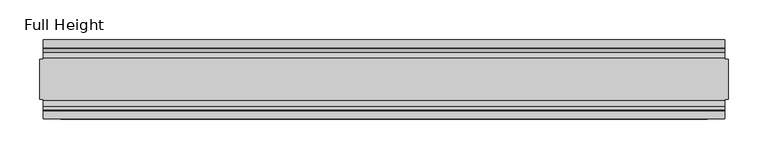
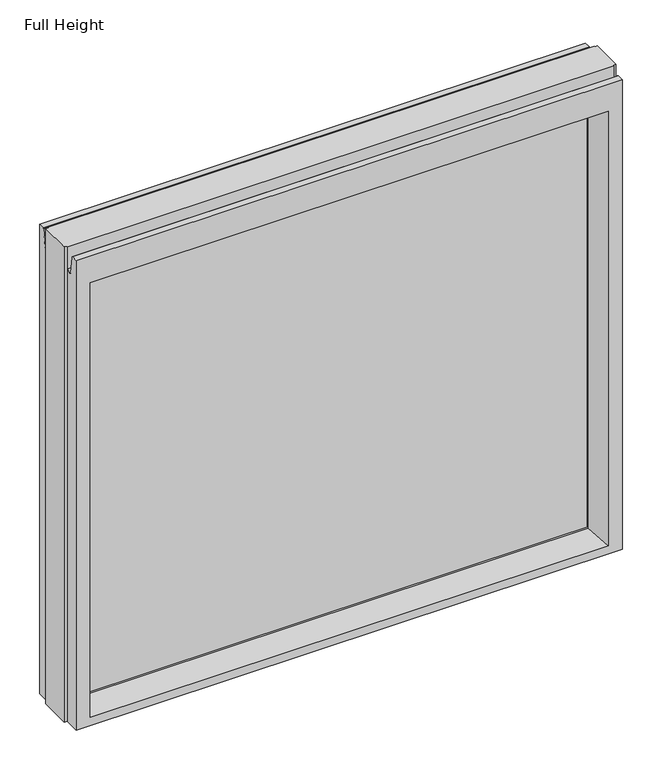
"""IFC4 building model written with IfcOpenShell, lengths in millimetres: plate geometry, Full Height."""

from ifc_helpers import new_model, si_unit, frame, origin, place, context, project, spatial, polyline, circle_curve, outline, extrude, source, transform, mapped, element, save
from ifc_brep_helpers import plane_surface, cylinder_surface, revolved_surface, advanced_brep


def full_height_9db0b8b8(model_context):
    return source(origin(), model_context, "Body", "SolidModel", [
        advanced_brep(
        [(429.4695246, -50.0, 0.0), (-429.4695246, -50.0, 0.0), (-429.4695246, -25.146, 0.0), (-434.0415246, -25.146, 0.0), (-434.0415246, 25.146, 0.0), (-429.4695246, 25.146, 0.0), (-429.4695246, 50.0, 0.0), (429.4695246, 50.0, 0.0), (429.4695246, 25.146, 0.0), (434.0415246, 25.146, 0.0), (434.0415246, -25.146, 0.0), (429.4695246, -25.146, 0.0), (434.0415246, -25.146, 789.94), (434.0415246, 25.146, 789.94), (429.4695246, 25.146, 789.94), (429.4695246, 26.67, 789.94), (-429.4695246, 26.67, 789.94), (-429.4695246, 25.146, 789.94), (-434.0415246, 25.146, 789.94), (-434.0415246, -25.146, 789.94), (-429.4695246, -25.146, 789.94), (-429.4695246, -26.67, 789.94), (429.4695246, -26.67, 789.94), (429.4695246, -25.146, 789.94), (-429.4695246, -26.67, 752.729), (429.4695246, -26.67, 752.729), (-429.4695246, 26.67, 752.729), (-429.4695246, 34.2321175, 752.0674004), (-429.4695246, 39.1867152, 780.1663199), (-429.4695246, 39.9371387, 780.796), (-429.4695246, 50.0, 780.796), (-429.4695246, -50.0, 780.796), (-429.4695246, -39.9371387, 780.796), (-429.4695246, -39.1867152, 780.1663199), (-429.4695246, -34.2321175, 752.0674004), (429.4695246, 50.0, 780.796), (-407.3715246, 50.0, 736.219), (-407.3715246, 50.0, 13.9954), (407.3715246, 50.0, 13.9954), (407.3715246, 50.0, 736.219), (429.4695246, -50.0, 780.796), (-407.3715246, -50.0, 13.9954), (-407.3715246, -50.0, 736.219), (407.3715246, -50.0, 736.219), (407.3715246, -50.0, 13.9954), (-401.4025246, 6.1006519, 730.25), (-401.4025246, 6.1006519, 18.3896), (-401.4025246, -6.1006519, 18.3896), (-401.4025246, -6.1006519, 730.25), (401.4025246, -6.1006519, 730.25), (401.4025246, -6.1006519, 18.3896), (401.4025246, 6.1006519, 730.25), (401.4025246, 6.1006519, 18.3896), (429.4695246, -34.2321175, 752.0674004), (429.4695246, -39.1867152, 780.1663199), (429.4695246, -39.9371387, 780.796), (429.4695246, 39.9371387, 780.796), (429.4695246, 39.1867152, 780.1663199), (429.4695246, 34.2321175, 752.0674004), (429.4695246, 26.67, 752.729)],
        [
            (0, 1),
            (1, 2),
            (2, 3),
            (3, 4),
            (4, 5),
            (5, 6),
            (6, 7),
            (7, 8),
            (8, 9),
            (9, 10),
            (10, 11),
            (11, 0),
            (12, 13),
            (13, 14),
            (14, 15),
            (15, 16),
            (16, 17),
            (17, 18),
            (18, 19),
            (19, 20),
            (20, 21),
            (21, 22),
            (22, 23),
            (23, 12),
            (10, 12),
            (23, 11),
            (13, 9),
            (8, 14),
            (18, 4),
            (3, 19),
            (17, 5),
            (2, 20),
            (24, 25),
            (25, 22),
            (21, 24),
            (16, 26),
            (26, 27, circle_curve(frame((-429.4695246, 30.48, 752.729), z_axis=(1.0, 0.0, 0.0), x_axis=(0.0, 1.0, 0.0)), 3.81)),
            (27, 28),
            (28, 29, circle_curve(frame((-429.4695246, 39.9371387, 780.034), z_axis=(-1.0, 0.0, 0.0), x_axis=(0.0, 1.0, 0.0)), 0.762)),
            (29, 30),
            (30, 6),
            (1, 31),
            (31, 32),
            (32, 33, circle_curve(frame((-429.4695246, -39.9371387, 780.034), z_axis=(-1.0, 0.0, 0.0), x_axis=(0.0, 1.0, 0.0)), 0.762)),
            (33, 34),
            (34, 24, circle_curve(frame((-429.4695246, -30.48, 752.729), z_axis=(1.0, 0.0, 0.0), x_axis=(0.0, 1.0, 0.0)), 3.81)),
            (30, 35),
            (35, 7),
            (36, 37),
            (37, 38),
            (38, 39),
            (39, 36),
            (0, 40),
            (40, 31),
            (41, 42),
            (42, 43),
            (43, 44),
            (44, 41),
            (36, 45),
            (45, 46),
            (46, 37),
            (41, 47),
            (47, 48),
            (48, 42),
            (43, 49),
            (49, 50),
            (50, 44),
            (51, 39),
            (38, 52),
            (52, 51),
            (25, 53, circle_curve(frame((429.4695246, -30.48, 752.729), z_axis=(-1.0, 0.0, 0.0), x_axis=(0.0, 1.0, 0.0)), 3.81)),
            (53, 54),
            (54, 55, circle_curve(frame((429.4695246, -39.9371387, 780.034), z_axis=(1.0, 0.0, 0.0), x_axis=(0.0, 1.0, 0.0)), 0.762)),
            (55, 40),
            (35, 56),
            (56, 57, circle_curve(frame((429.4695246, 39.9371387, 780.034), z_axis=(1.0, 0.0, 0.0), x_axis=(0.0, 1.0, 0.0)), 0.762)),
            (57, 58),
            (58, 59, circle_curve(frame((429.4695246, 30.48, 752.729), z_axis=(-1.0, 0.0, 0.0), x_axis=(0.0, 1.0, 0.0)), 3.81)),
            (59, 15),
            (55, 32),
            (29, 56),
            (59, 26),
            (51, 45),
            (33, 54),
            (53, 34),
            (28, 57),
            (27, 58),
            (46, 52),
            (50, 47),
            (48, 49),
            (51, 49),
            (48, 45),
            (46, 47),
            (50, 52),
        ],
        [
            plane_surface(frame((-429.4695246, 50.0, 0.0), z_axis=(0.0, 0.0, -1.0), x_axis=(0.0, -1.0, 0.0))),
            plane_surface(frame((429.4695246, -25.146, 789.94), z_axis=(0.0, 0.0, 1.0), x_axis=(-1.0, 0.0, 0.0))),
            plane_surface(frame((434.0415246, -25.146, 789.94), z_axis=(0.0, -1.0, 0.0), x_axis=(0.0, 0.0, -1.0))),
            plane_surface(frame((429.4695246, 25.146, 789.94), z_axis=(0.0, 1.0, 0.0), x_axis=(0.0, 0.0, -1.0))),
            plane_surface(frame((434.0415246, 25.146, 789.94), z_axis=(1.0, 0.0, 0.0), x_axis=(0.0, 0.0, -1.0))),
            plane_surface(frame((-434.0415246, -25.146, 789.94), z_axis=(-1.0, 0.0, 0.0), x_axis=(0.0, 0.0, -1.0))),
            plane_surface(frame((-434.0415246, 25.146, 789.94), z_axis=(0.0, 1.0, 0.0), x_axis=(0.0, 0.0, -1.0))),
            plane_surface(frame((-429.4695246, -25.146, 789.94), z_axis=(0.0, -1.0, 0.0), x_axis=(0.0, 0.0, -1.0))),
            plane_surface(frame((-429.4695246, -26.67, 789.94), z_axis=(0.0, -1.0, 0.0), x_axis=(1.0, 0.0, 0.0))),
            plane_surface(frame((-429.4695246, -50.0, 748.0046), z_axis=(-1.0, 0.0, 0.0), x_axis=(0.0, 0.0, -1.0))),
            plane_surface(frame((-429.4695246, 50.0, 748.0046), z_axis=(0.0, 1.0, 0.0), x_axis=(0.0, 0.0, -1.0))),
            plane_surface(frame((-407.3715246, -50.0, 748.0046), z_axis=(0.0, -1.0, 0.0), x_axis=(0.0, 0.0, -1.0))),
            plane_surface(frame((-407.3715246, 50.0, 748.0046), z_axis=(0.990882294353361, 0.13473039277393772, 0.0), x_axis=(0.0, 0.0, -1.0))),
            plane_surface(frame((-401.4025246, -6.1006519, 748.0046), z_axis=(0.990882294353361, -0.13473039277393709, 0.0), x_axis=(0.0, 0.0, -1.0))),
            plane_surface(frame((407.3715246, -50.0, 748.0046), z_axis=(-0.9908822943533626, -0.134730392773925, 0.0), x_axis=(0.0, 0.0, -1.0))),
            plane_surface(frame((401.4025246, 6.1006519, 748.0046), z_axis=(-0.9908822943533585, 0.13473039277395565, 0.0), x_axis=(0.0, 0.0, -1.0))),
            plane_surface(frame((429.4695246, 50.0, 748.0046), z_axis=(1.0, 0.0, 0.0), x_axis=(0.0, 0.0, -1.0))),
            plane_surface(frame((-429.4695246, -39.9371387, 780.796), z_axis=(0.0, 0.0, 1.0), x_axis=(1.0, 0.0, 0.0))),
            plane_surface(frame((-429.4695246, 50.0, 780.796), z_axis=(0.0, 0.0, 1.0), x_axis=(1.0, 0.0, 0.0))),
            plane_surface(frame((-429.4695246, 26.67, 752.729), z_axis=(0.0, 1.0, 0.0), x_axis=(1.0, 0.0, 0.0))),
            plane_surface(frame((-429.4695246, 6.1006519, 730.25), z_axis=(0.0, 0.13473039277393184, -0.9908822943533617), x_axis=(1.0, 0.0, 0.0))),
            plane_surface(frame((-429.4695246, -34.2321175, 752.0674004), z_axis=(0.0, 0.9848077530122084, 0.17364817766692892), x_axis=(1.0, 0.0, 0.0))),
            revolved_surface(polyline([(429.4695246, -26.67, 752.729), (-429.4695246, -26.67, 752.729)]), (429.4695246, -30.48, 752.729), (1.0, 0.0, 0.0)),
            cylinder_surface(frame((429.4695246, -39.9371387, 780.034), z_axis=(-1.0, 0.0, 0.0), x_axis=(0.0, 1.0, 0.0)), 0.762),
            cylinder_surface(frame((429.4695246, 39.9371387, 780.034), z_axis=(-1.0, 0.0, 0.0), x_axis=(0.0, 1.0, 0.0)), 0.762),
            plane_surface(frame((-429.4695246, 39.1867152, 780.1663199), z_axis=(0.0, -0.9848077530122005, 0.1736481776669738), x_axis=(1.0, 0.0, 0.0))),
            revolved_surface(polyline([(429.4695246, 34.29, 752.729), (-429.4695246, 34.29, 752.729)]), (429.4695246, 30.48, 752.729), (1.0, 0.0, 0.0)),
            plane_surface(frame((-429.4695246, 50.0, 13.9954), z_axis=(0.0, 0.09959943661133767, 0.9950276138010965), x_axis=(1.0, 0.0, 0.0))),
            plane_surface(frame((-429.4695246, -6.1006519, 18.3896), z_axis=(0.0, -0.0995994366113773, 0.9950276138010926), x_axis=(1.0, 0.0, 0.0))),
            plane_surface(frame((-429.4695246, -50.0, 736.219), z_axis=(0.0, -0.13473039277391685, -0.9908822943533637), x_axis=(1.0, 0.0, 0.0))),
            plane_surface(frame((-429.4695246, -6.1006519, 730.25), z_axis=(0.0, 0.0, -1.0), x_axis=(1.0, 0.0, 0.0))),
            plane_surface(frame((-429.4695246, 6.1006519, 18.3896), z_axis=(0.0, 0.0, 1.0), x_axis=(1.0, 0.0, 0.0))),
            plane_surface(frame((-401.4025246, 6.1006519, 748.0046), z_axis=(1.0, 0.0, 0.0), x_axis=(0.0, 0.0, -1.0))),
            plane_surface(frame((401.4025246, -6.1006519, 748.0046), z_axis=(-1.0, 0.0, 0.0), x_axis=(0.0, 0.0, -1.0))),
        ],
        [
            (0, [[1, 2, 3, 4, 5, 6, 7, 8, 9, 10, 11, 12]]),
            (1, [[13, 14, 15, 16, 17, 18, 19, 20, 21, 22, 23, 24]]),
            (2, [[-11, 25, -24, 26]]),
            (3, [[27, -9, 28, -14]]),
            (4, [[-25, -10, -27, -13]]),
            (5, [[29, -4, 30, -19]]),
            (6, [[-5, -29, -18, 31]]),
            (7, [[-30, -3, 32, -20]]),
            (8, [[33, 34, -22, 35]]),
            (9, [[-31, -17, 36, 37, 38, 39, 40, 41, -6]]),
            (9, [[42, 43, 44, 45, 46, -35, -21, -32, -2]]),
            (10, [[47, 48, -7, -41], [49, 50, 51, 52]]),
            (11, [[53, 54, -42, -1], [55, 56, 57, 58]]),
            (12, [[59, 60, 61, -49]]),
            (13, [[62, 63, 64, -55]]),
            (14, [[65, 66, 67, -57]]),
            (15, [[68, -51, 69, 70]]),
            (16, [[-26, -23, -34, 71, 72, 73, 74, -53, -12]]),
            (16, [[75, 76, 77, 78, 79, -15, -28, -8, -48]]),
            (17, [[-54, -74, 80, -43]]),
            (18, [[81, -75, -47, -40]]),
            (19, [[-16, -79, 82, -36]]),
            (20, [[-68, 83, -59, -52]]),
            (21, [[84, -72, 85, -45]]),
            (22, [[-85, -71, -33, -46]]),
            (23, [[-80, -73, -84, -44]]),
            (24, [[86, -76, -81, -39]]),
            (25, [[87, -77, -86, -38]]),
            (26, [[-82, -78, -87, -37]]),
            (27, [[-61, 88, -69, -50]]),
            (28, [[-67, 89, -62, -58]]),
            (29, [[-64, 90, -65, -56]]),
            (30, [[91, -90, 92, -83]]),
            (31, [[93, -89, 94, -88]]),
            (32, [[-93, -60, -92, -63]]),
            (33, [[-94, -66, -91, -70]]),
        ],
    ),
        extrude(outline(polyline([(-401.4025246, -3.175), (-401.4025246, 3.175), (401.4025246, 3.175), (401.4025246, -3.175), (-401.4025246, -3.175)])), frame((0.0, 0.0, 18.3896), z_axis=(0.0, 0.0, 1.0), x_axis=(1.0, 0.0, 0.0)), (0.0, 0.0, 1.0), 711.8604),
    ])


if __name__ == "__main__":
    model = new_model("IFC4")
    model_context = context("Model", 3, world=origin())
    ifc_project = project(units=[si_unit("LENGTHUNIT", "METRE", prefix="MILLI")], contexts=[model_context])
    site = spatial("IfcSite", under=ifc_project)
    building = spatial("IfcBuilding", under=site)
    placement = place(None, origin())
    full_height_shape = full_height_9db0b8b8(model_context)
    element("IfcPlate", 1, ObjectType="Full Height", at=placement, inside=building, context=model_context, shape_type="MappedRepresentation", body=[
        mapped(full_height_shape, transform((0.0, 0.0, 0.0), x_axis=(1.0, 0.0, 0.0), y_axis=(0.0, 1.0, 0.0), z_axis=(0.0, 0.0, 1.0))),
    ])
    save(model, "model.ifc")
